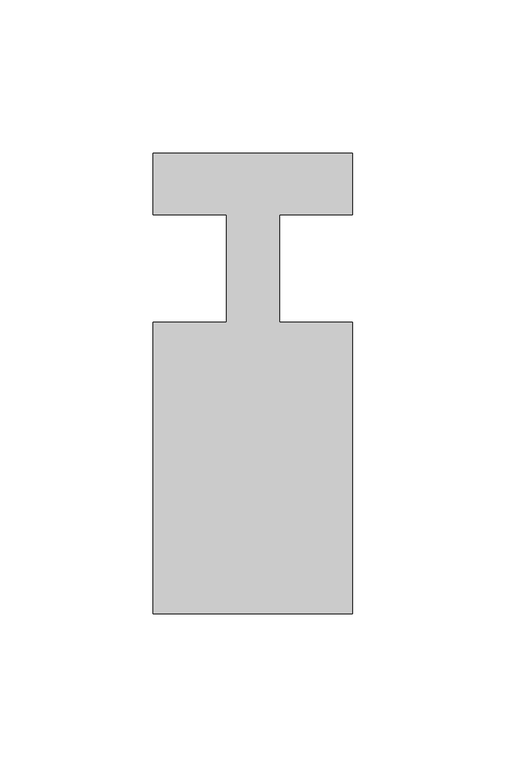
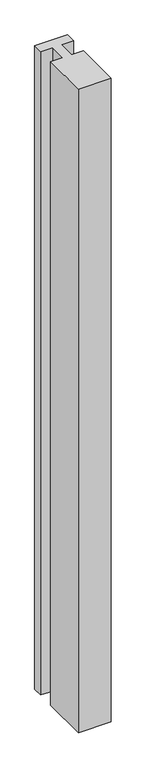
"""IFC4 building model written with IfcOpenShell, lengths in millimetres: member geometry."""

from ifc_helpers import new_model, si_unit, frame, origin, place, context, project, spatial, polyline, outline, extrude, source, transform, mapped, element, save


def member_5716867f(model_context):
    return source(origin(), model_context, "Body", "SweptSolid", [
        extrude(outline(polyline([(-32.5, 37.0), (32.5, 37.0), (32.5, 17.0), (8.6875, 17.0), (8.6875, -18.0), (32.5, -18.0), (32.5, -113.0), (-32.5, -113.0), (-32.5, -18.0), (-8.6875, -18.0), (-8.6875, 17.0), (-32.5, 17.0), (-32.5, 37.0)])), frame((0.0, 0.0, -1350.0), z_axis=(0.0, 0.0, 1.0), x_axis=(1.0, 0.0, 0.0)), (0.0, 0.0, 1.0), 1350.0),
    ])


if __name__ == "__main__":
    model = new_model("IFC4")
    model_context = context("Model", 3, world=origin())
    ifc_project = project(units=[si_unit("LENGTHUNIT", "METRE", prefix="MILLI")], contexts=[model_context])
    site = spatial("IfcSite", under=ifc_project)
    building = spatial("IfcBuilding", under=site)
    placement = place(None, origin())
    member_shape = member_5716867f(model_context)
    element("IfcMember", 1, at=placement, inside=building, context=model_context, shape_type="MappedRepresentation", body=[
        mapped(member_shape, transform((0.0, 0.0, 0.0), x_axis=(1.0, 0.0, 0.0), y_axis=(0.0, 1.0, 0.0), z_axis=(0.0, 0.0, 1.0))),
    ])
    save(model, "model.ifc")
